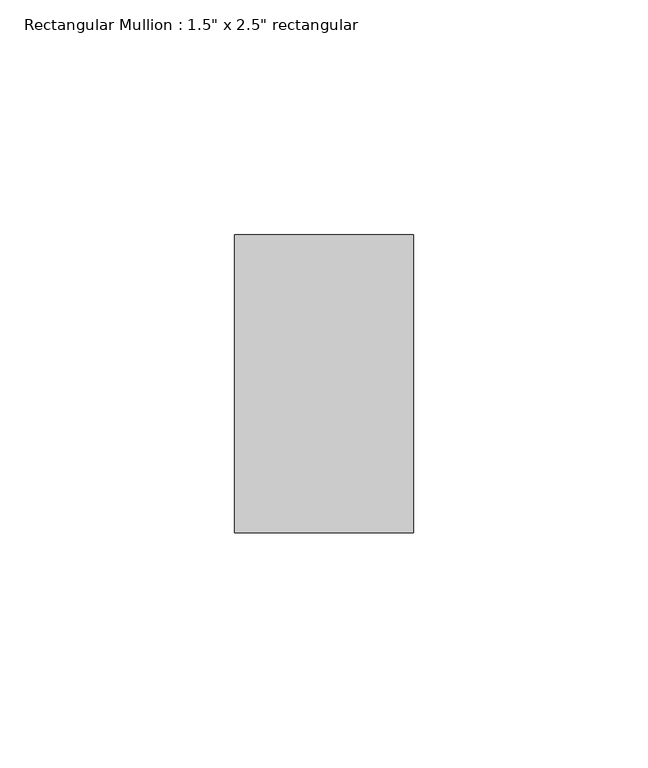
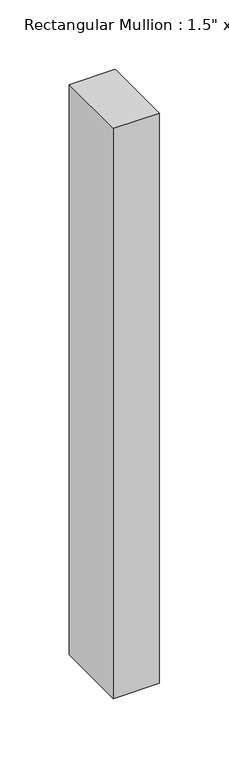
"""IFC4 building model written with IfcOpenShell, lengths in millimetres: member geometry."""

from ifc_helpers import new_model, si_unit, frame, origin, place, context, project, spatial, polyline, outline, extrude, source, transform, mapped, element, save


def member_e4ac220c(model_context):
    return source(origin(), model_context, "Body", "SweptSolid", [
        extrude(outline(polyline([(19.05, -19.05), (19.05, -82.55), (-19.05, -82.55), (-19.05, -19.05), (19.05, -19.05)])), frame((0.0, 0.0, -501.65), z_axis=(0.0, 0.0, 1.0), x_axis=(1.0, 0.0, 0.0)), (0.0, 0.0, 1.0), 501.65),
    ])


if __name__ == "__main__":
    model = new_model("IFC4")
    model_context = context("Model", 3, world=origin())
    ifc_project = project(units=[si_unit("LENGTHUNIT", "METRE", prefix="MILLI")], contexts=[model_context])
    site = spatial("IfcSite", under=ifc_project)
    building = spatial("IfcBuilding", under=site)
    placement = place(None, origin())
    member_shape = member_e4ac220c(model_context)
    element("IfcMember", 1, ObjectType="Rectangular Mullion : 1.5\" x 2.5\" rectangular", at=placement, inside=building, context=model_context, shape_type="MappedRepresentation", body=[
        mapped(member_shape, transform((0.0, 0.0, 0.0), x_axis=(1.0, 0.0, 0.0), y_axis=(0.0, 1.0, 0.0), z_axis=(0.0, 0.0, 1.0))),
    ])
    save(model, "model.ifc")
